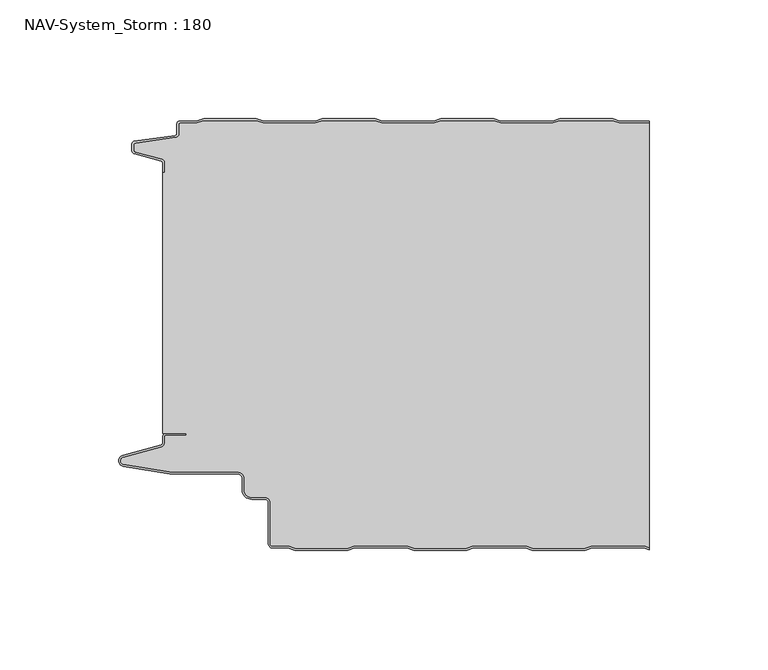
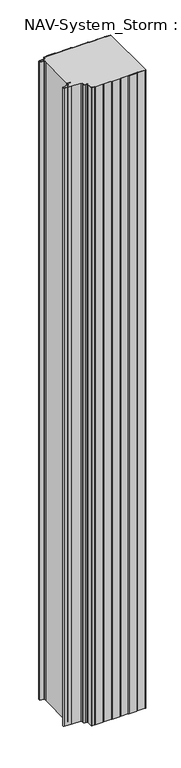
"""IFC4 building model written with IfcOpenShell, lengths in millimetres: plate geometry, NAV-System_Storm : 180."""

from ifc_helpers import new_model, si_unit, point, frame, frame_2d, origin, origin_with_axes, place, context, project, spatial, polyline, circle_curve, trimmed, segment, composite_curve, outline, extrude, source, transform, mapped, element, save
from ifc_brep_helpers import plane_surface, cylinder_surface, revolved_surface, advanced_brep


def nav_system_storm_180_e2d00d4d(model_context):
    return source(origin(), model_context, "Body", "SolidModel", [
        extrude(outline(composite_curve([segment(polyline([(86.8684174, -0.8), (83.8684174, 0.2), (61.8684174, 0.2), (58.8684174, -0.8), (36.8684174, -0.8), (33.8684174, 0.2), (11.8684174, 0.2), (8.8684174, -0.8), (-13.1315826, -0.8), (-16.1315826, 0.2), (-38.1315826, 0.2), (-41.1315826, -0.8), (-63.1315826, -0.8), (-66.1315826, 0.2), (-88.1315826, 0.2), (-91.1315826, -0.8), (-98.2000153, -0.8)]), True, "CONTINUOUS"), segment(trimmed(circle_curve(frame_2d((-98.2000153, -1.3)), 0.5), [point((-98.2000153, -0.8))], [point((-98.7000153, -1.3))], True, "CARTESIAN"), True, "CONTINUOUS"), segment(polyline([(-98.7000153, -1.3), (-98.7000153, -5.3964683)]), True, "CONTINUOUS"), segment(trimmed(circle_curve(frame_2d((-100.2000153, -5.3964683)), 1.5), [point((-98.7000153, -5.3964683))], [point((-99.991136, -6.8818536))], False, "CARTESIAN"), True, "CONTINUOUS"), segment(polyline([(-99.991136, -6.8818536), (-116.9352336, -9.2645825)]), True, "CONTINUOUS"), segment(trimmed(circle_curve(frame_2d((-116.8115062, -10.1444347)), 0.8885091), [point((-116.9352336, -9.2645825))], [point((-117.7000153, -10.1444347))], True, "CARTESIAN"), True, "CONTINUOUS"), segment(polyline([(-117.7000153, -10.1444347), (-117.7000153, -12.46995)]), True, "CONTINUOUS"), segment(trimmed(circle_curve(frame_2d((-117.1000153, -12.46995)), 0.6), [point((-117.7000153, -12.46995))], [point((-117.2553067, -13.0495055))], True, "CARTESIAN"), True, "CONTINUOUS"), segment(polyline([(-117.2553067, -13.0495055), (-105.8785784, -16.0978907)]), True, "CONTINUOUS"), segment(trimmed(circle_curve(frame_2d((-106.266807, -17.5467794)), 1.5), [point((-105.8785784, -16.0978907))], [point((-104.766807, -17.5467794))], False, "CARTESIAN"), True, "CONTINUOUS"), segment(polyline([(-104.766807, -17.5467794), (-104.766807, -21.623446), (-105.566807, -21.623446), (-105.566807, -17.5467794)]), True, "CONTINUOUS"), segment(trimmed(circle_curve(frame_2d((-106.266807, -17.5467794)), 0.7), [point((-105.566807, -17.5467794))], [point((-106.0856337, -16.8706313))], True, "CARTESIAN"), True, "CONTINUOUS"), segment(polyline([(-106.0856337, -16.8706313), (-117.53648, -13.8023863)]), True, "CONTINUOUS"), segment(trimmed(circle_curve(frame_2d((-117.2000153, -12.5466827)), 1.3), [point((-117.53648, -13.8023863))], [point((-118.5000153, -12.5466827))], False, "CARTESIAN"), True, "CONTINUOUS"), segment(polyline([(-118.5000153, -12.5466827), (-118.5000153, -9.8067363)]), True, "CONTINUOUS"), segment(trimmed(circle_curve(frame_2d((-117.2000153, -9.8067363)), 1.3), [point((-118.5000153, -9.8067363))], [point((-117.3810439, -8.5194024))], False, "CARTESIAN"), True, "CONTINUOUS"), segment(polyline([(-117.3810439, -8.5194024), (-100.1025383, -6.0896481)]), True, "CONTINUOUS"), segment(trimmed(circle_curve(frame_2d((-100.2000153, -5.3964683)), 0.7), [point((-100.1025383, -6.0896481))], [point((-99.5000153, -5.3964683))], True, "CARTESIAN"), True, "CONTINUOUS"), segment(polyline([(-99.5000153, -5.3964683), (-99.5000153, -1.3)]), True, "CONTINUOUS"), segment(trimmed(circle_curve(frame_2d((-98.2000153, -1.3)), 1.3), [point((-99.5000153, -1.3))], [point((-98.2000153, 0.0))], False, "CARTESIAN"), True, "CONTINUOUS"), segment(polyline([(-98.2000153, 0.0), (-91.2614047, 0.0), (-88.2614047, 1.0), (-66.0017605, 1.0), (-63.0017605, 0.0), (-41.2614047, 0.0), (-38.2614047, 1.0), (-16.0017605, 1.0), (-13.0017605, 0.0), (8.7385953, 0.0), (11.7385953, 1.0), (33.9982395, 1.0), (36.9982395, 0.0), (58.7385953, 0.0), (61.7385953, 1.0), (83.9982395, 1.0), (86.9982395, 0.0), (99.5, 0.0), (99.5, -0.8), (86.8684174, -0.8)]), True, "CONTINUOUS")], self_intersect=False)), origin_with_axes(), (0.0, 0.0, 1.0), 2000.0),
        advanced_brep(
        [(86.8684327, -0.8, 2000.0), (83.8684327, 0.2, 2000.0), (61.8684327, 0.2, 2000.0), (58.8684327, -0.8, 2000.0), (36.8684327, -0.8, 2000.0), (33.8684327, 0.2, 2000.0), (11.8684327, 0.2, 2000.0), (8.8684327, -0.8, 2000.0), (-13.1315673, -0.8, 2000.0), (-16.1315673, 0.2, 2000.0), (-38.1315673, 0.2, 2000.0), (-41.1315673, -0.8, 2000.0), (-63.1315673, -0.8, 2000.0), (-66.1315673, 0.2, 2000.0), (-88.1315673, 0.2, 2000.0), (-91.1315673, -0.8, 2000.0), (-98.2, -0.8, 2000.0), (-98.7, -1.3, 2000.0), (-98.7, -5.3964683, 2000.0), (-99.9911207, -6.8818536, 2000.0), (-116.9352183, -9.2645825, 2000.0), (-117.7, -10.1444347, 2000.0), (-117.7, -12.46995, 2000.0), (-117.2552914, -13.0495055, 2000.0), (-105.8785632, -16.0978907, 2000.0), (-104.7667917, -17.5467794, 2000.0), (-104.7667917, -21.623446, 2000.0), (-105.5667917, -21.623446, 2000.0), (-105.5667917, -131.7763253, 2000.0), (-95.5330891, -131.7763253, 2000.0), (-95.5330891, -132.5763253, 2000.0), (-104.0330891, -132.5763253, 2000.0), (-104.7330891, -133.2763253, 2000.0), (-104.7330891, -135.8624192, 2000.0), (-105.9560377, -137.4561968, 2000.0), (-122.0574978, -141.8079393, 2000.0), (-121.9021816, -144.8341065, 2000.0), (-102.4332334, -148.0040626, 2000.0), (-73.9661198, -148.0040626, 2000.0), (-71.1661198, -150.806803, 2000.0), (-71.1661198, -155.5, 2000.0), (-67.9661198, -158.7, 2000.0), (-62.4661198, -158.7, 2000.0), (-60.1661198, -161.0, 2000.0), (-60.1661198, -178.2484002, 2000.0), (-59.2161211, -179.2, 2000.0), (-52.5977024, -179.2, 2000.0), (-49.5977024, -180.2, 2000.0), (-27.5977024, -180.2, 2000.0), (-24.5977024, -179.2, 2000.0), (-2.5977024, -179.2, 2000.0), (0.4022976, -180.2, 2000.0), (22.4022976, -180.2, 2000.0), (25.4022976, -179.2, 2000.0), (47.4022976, -179.2, 2000.0), (50.4022976, -180.2, 2000.0), (72.4022976, -180.2, 2000.0), (75.4022976, -179.2, 2000.0), (97.4022976, -179.2, 2000.0), (99.5, -179.8992341, 2000.0), (99.5, -0.8, 2000.0), (97.4022976, -179.2, 0.0), (75.4022976, -179.2, 0.0), (72.4022976, -180.2, 0.0), (50.4022976, -180.2, 0.0), (47.4022976, -179.2, 0.0), (25.4022976, -179.2, 0.0), (22.4022976, -180.2, 0.0), (0.4022976, -180.2, 0.0), (-2.5977024, -179.2, 0.0), (-24.5977024, -179.2, 0.0), (-27.5977024, -180.2, 0.0), (-49.5977024, -180.2, 0.0), (-52.5977024, -179.2, 0.0), (-59.2161211, -179.2, 0.0), (-60.1661198, -178.2484002, 0.0), (-60.1661198, -161.0, 0.0), (-62.4661198, -158.7, 0.0), (-67.9661198, -158.7, 0.0), (-71.1661198, -155.5, 0.0), (-71.1661198, -150.806803, 0.0), (-73.9661198, -148.006803, 0.0), (-102.4332334, -148.0040626, 0.0), (-121.9021816, -144.8341065, 0.0), (-122.0574978, -141.8079393, 0.0), (-105.9560377, -137.4561968, 0.0), (-104.7330891, -135.8624192, 0.0), (-104.7330891, -133.2763253, 0.0), (-104.0330891, -132.5763253, 0.0), (-95.5330891, -132.5763253, 0.0), (-95.5330891, -131.7763253, 0.0), (-105.5667917, -131.7763253, 0.0), (-105.5667917, -21.623446, 0.0), (-104.7667917, -21.623446, 0.0), (-104.7667917, -17.5467794, 0.0), (-105.8785632, -16.0978907, 0.0), (-117.2552914, -13.0495055, 0.0), (-117.7, -12.46995, 0.0), (-117.7, -10.1444347, 0.0), (-116.9352183, -9.2645825, 0.0), (-99.9911207, -6.8818536, 0.0), (-98.7, -5.3964683, 0.0), (-98.7, -1.3, 0.0), (-98.2, -0.8, 0.0), (-91.1315673, -0.8, 0.0), (-88.1315673, 0.2, 0.0), (-66.1315673, 0.2, 0.0), (-63.1315673, -0.8, 0.0), (-41.1315673, -0.8, 0.0), (-38.1315673, 0.2, 0.0), (-16.1315673, 0.2, 0.0), (-13.1315673, -0.8, 0.0), (8.8684327, -0.8, 0.0), (11.8684327, 0.2, 0.0), (33.8684327, 0.2, 0.0), (36.8684327, -0.8, 0.0), (58.8684327, -0.8, 0.0), (61.8684327, 0.2, 0.0), (83.8684327, 0.2, 0.0), (86.8684327, -0.8, 0.0), (99.5, -0.8, 0.0), (99.5, -179.8992341, 0.0)],
        [
            (0, 1),
            (1, 2),
            (2, 3),
            (3, 4),
            (4, 5),
            (5, 6),
            (6, 7),
            (7, 8),
            (8, 9),
            (9, 10),
            (10, 11),
            (11, 12),
            (12, 13),
            (13, 14),
            (14, 15),
            (15, 16),
            (16, 17, circle_curve(frame((-98.2, -1.3, 2000.0), z_axis=(0.0, 0.0, 1.0), x_axis=(1.0, 0.0, 0.0)), 0.5)),
            (17, 18),
            (18, 19, circle_curve(frame((-100.2, -5.3964683, 2000.0), z_axis=(0.0, 0.0, -1.0), x_axis=(1.0, 0.0, 0.0)), 1.5)),
            (19, 20),
            (20, 21, circle_curve(frame((-116.8114909, -10.1444347, 2000.0), z_axis=(0.0, 0.0, 1.0), x_axis=(1.0, 0.0, 0.0)), 0.8885091)),
            (21, 22),
            (22, 23, circle_curve(frame((-117.1, -12.46995, 2000.0), z_axis=(0.0, 0.0, 1.0), x_axis=(1.0, 0.0, 0.0)), 0.6)),
            (23, 24),
            (24, 25, circle_curve(frame((-106.2667917, -17.5467794, 2000.0), z_axis=(0.0, 0.0, -1.0), x_axis=(1.0, 0.0, 0.0)), 1.5)),
            (25, 26),
            (26, 27),
            (27, 28),
            (28, 29),
            (29, 30),
            (30, 31),
            (31, 32, circle_curve(frame((-104.0330891, -133.2763253, 2000.0), z_axis=(0.0, 0.0, 1.0), x_axis=(1.0, 0.0, 0.0)), 0.7)),
            (32, 33),
            (33, 34, circle_curve(frame((-106.3830891, -135.8624192, 2000.0), z_axis=(0.0, 0.0, -1.0), x_axis=(1.0, 0.0, 0.0)), 1.65)),
            (34, 35),
            (35, 36, circle_curve(frame((-121.6530891, -143.3042526, 2000.0), z_axis=(0.0, 0.0, 1.0), x_axis=(1.0, 0.0, 0.0)), 1.55)),
            (36, 37),
            (37, 38),
            (38, 39, circle_curve(frame((-73.9661198, -150.806803, 2000.0), z_axis=(0.0, 0.0, -1.0), x_axis=(1.0, 0.0, 0.0)), 2.8)),
            (39, 40),
            (40, 41, circle_curve(frame((-67.9661198, -155.5, 2000.0), z_axis=(0.0, 0.0, 1.0), x_axis=(1.0, 0.0, 0.0)), 3.2)),
            (41, 42),
            (42, 43, circle_curve(frame((-62.4661198, -161.0, 2000.0), z_axis=(0.0, 0.0, -1.0), x_axis=(1.0, 0.0, 0.0)), 2.3)),
            (43, 44),
            (44, 45, circle_curve(frame((-59.2161211, -178.25, 2000.0), z_axis=(0.0, 0.0, 1.0), x_axis=(1.0, 0.0, 0.0)), 0.95)),
            (45, 46),
            (46, 47),
            (47, 48),
            (48, 49),
            (49, 50),
            (50, 51),
            (51, 52),
            (52, 53),
            (53, 54),
            (54, 55),
            (55, 56),
            (56, 57),
            (57, 58),
            (58, 59),
            (59, 60),
            (60, 0),
            (61, 62),
            (62, 63),
            (63, 64),
            (64, 65),
            (65, 66),
            (66, 67),
            (67, 68),
            (68, 69),
            (69, 70),
            (70, 71),
            (71, 72),
            (72, 73),
            (73, 74),
            (74, 75, circle_curve(frame((-59.2161211, -178.25, 0.0), z_axis=(0.0, 0.0, -1.0), x_axis=(1.0, 0.0, 0.0)), 0.95)),
            (75, 76),
            (76, 77, circle_curve(frame((-62.4661198, -161.0, 0.0), z_axis=(0.0, 0.0, 1.0), x_axis=(1.0, 0.0, 0.0)), 2.3)),
            (77, 78),
            (78, 79, circle_curve(frame((-67.9661198, -155.5, 0.0), z_axis=(0.0, 0.0, -1.0), x_axis=(1.0, 0.0, 0.0)), 3.2)),
            (79, 80),
            (80, 81, circle_curve(frame((-73.9661198, -150.806803, 0.0), z_axis=(0.0, 0.0, 1.0), x_axis=(1.0, 0.0, 0.0)), 2.8)),
            (81, 82),
            (82, 83),
            (83, 84, circle_curve(frame((-121.6530891, -143.3042526, 0.0), z_axis=(0.0, 0.0, -1.0), x_axis=(1.0, 0.0, 0.0)), 1.55)),
            (84, 85),
            (85, 86, circle_curve(frame((-106.3830891, -135.8624192, 0.0), z_axis=(0.0, 0.0, 1.0), x_axis=(1.0, 0.0, 0.0)), 1.65)),
            (86, 87),
            (87, 88, circle_curve(frame((-104.0330891, -133.2763253, 0.0), z_axis=(0.0, 0.0, -1.0), x_axis=(1.0, 0.0, 0.0)), 0.7)),
            (88, 89),
            (89, 90),
            (90, 91),
            (91, 92),
            (92, 93),
            (93, 94),
            (94, 95, circle_curve(frame((-106.2667917, -17.5467794, 0.0), z_axis=(0.0, 0.0, 1.0), x_axis=(1.0, 0.0, 0.0)), 1.5)),
            (95, 96),
            (96, 97, circle_curve(frame((-117.1, -12.46995, 0.0), z_axis=(0.0, 0.0, -1.0), x_axis=(1.0, 0.0, 0.0)), 0.6)),
            (97, 98),
            (98, 99, circle_curve(frame((-116.8114909, -10.1444347, 0.0), z_axis=(0.0, 0.0, -1.0), x_axis=(1.0, 0.0, 0.0)), 0.8885091)),
            (99, 100),
            (100, 101, circle_curve(frame((-100.2, -5.3964683, 0.0), z_axis=(0.0, 0.0, 1.0), x_axis=(1.0, 0.0, 0.0)), 1.5)),
            (101, 102),
            (102, 103, circle_curve(frame((-98.2, -1.3, 0.0), z_axis=(0.0, 0.0, -1.0), x_axis=(1.0, 0.0, 0.0)), 0.5)),
            (103, 104),
            (104, 105),
            (105, 106),
            (106, 107),
            (107, 108),
            (108, 109),
            (109, 110),
            (110, 111),
            (111, 112),
            (112, 113),
            (113, 114),
            (114, 115),
            (115, 116),
            (116, 117),
            (117, 118),
            (118, 119),
            (119, 120),
            (120, 121),
            (121, 61),
            (119, 0),
            (60, 120),
            (118, 1),
            (117, 2),
            (116, 3),
            (115, 4),
            (114, 5),
            (113, 6),
            (112, 7),
            (111, 8),
            (110, 9),
            (109, 10),
            (108, 11),
            (107, 12),
            (106, 13),
            (105, 14),
            (104, 15),
            (103, 16),
            (102, 17),
            (101, 18),
            (100, 19),
            (99, 20),
            (98, 21),
            (97, 22),
            (96, 23),
            (95, 24),
            (94, 25),
            (93, 26),
            (92, 27),
            (91, 28),
            (90, 29),
            (89, 30),
            (88, 31),
            (87, 32),
            (86, 33),
            (85, 34),
            (84, 35),
            (83, 36),
            (82, 37),
            (81, 38),
            (80, 39),
            (79, 40),
            (78, 41),
            (77, 42),
            (76, 43),
            (75, 44),
            (74, 45),
            (73, 46),
            (72, 47),
            (71, 48),
            (70, 49),
            (69, 50),
            (68, 51),
            (67, 52),
            (66, 53),
            (65, 54),
            (64, 55),
            (63, 56),
            (62, 57),
            (61, 58),
            (121, 59),
        ],
        [
            plane_surface(frame((-99.5, 0.0, 2000.0), z_axis=(0.0, 0.0, 1.0), x_axis=(0.0, -1.0, 0.0))),
            plane_surface(frame((-99.5, 0.0, 0.0), z_axis=(0.0, 0.0, -1.0), x_axis=(0.0, -1.0, 0.0))),
            plane_surface(frame((108.8684327, -0.8, 2000.0), z_axis=(0.0, 1.0, 0.0), x_axis=(0.0, 0.0, -1.0))),
            plane_surface(frame((86.8684327, -0.8, 2000.0), z_axis=(0.3162277660167034, 0.9486832980505586, 0.0), x_axis=(0.0, 0.0, -1.0))),
            plane_surface(frame((83.8684327, 0.2, 2000.0), z_axis=(0.0, 1.0, 0.0), x_axis=(0.0, 0.0, -1.0))),
            plane_surface(frame((61.8684327, 0.2, 2000.0), z_axis=(-0.3162277660167478, 0.948683298050544, 0.0), x_axis=(0.0, 0.0, -1.0))),
            plane_surface(frame((58.8684327, -0.8, 2000.0), z_axis=(0.0, 1.0, 0.0), x_axis=(0.0, 0.0, -1.0))),
            plane_surface(frame((36.8684327, -0.8, 2000.0), z_axis=(0.3162277660167612, 0.9486832980505394, 0.0), x_axis=(0.0, 0.0, -1.0))),
            plane_surface(frame((33.8684327, 0.2, 2000.0), z_axis=(0.0, 1.0, 0.0), x_axis=(0.0, 0.0, -1.0))),
            plane_surface(frame((11.8684327, 0.2, 2000.0), z_axis=(-0.3162277660168056, 0.9486832980505246, 0.0), x_axis=(0.0, 0.0, -1.0))),
            plane_surface(frame((8.8684327, -0.8, 2000.0), z_axis=(0.0, 1.0, 0.0), x_axis=(0.0, 0.0, -1.0))),
            plane_surface(frame((-13.1315673, -0.8, 2000.0), z_axis=(0.3162277660167548, 0.9486832980505415, 0.0), x_axis=(0.0, 0.0, -1.0))),
            plane_surface(frame((-16.1315673, 0.2, 2000.0), z_axis=(0.0, 1.0, 0.0), x_axis=(0.0, 0.0, -1.0))),
            plane_surface(frame((-38.1315673, 0.2, 2000.0), z_axis=(-0.31622776601682484, 0.9486832980505183, 0.0), x_axis=(0.0, 0.0, -1.0))),
            plane_surface(frame((-41.1315673, -0.8, 2000.0), z_axis=(0.0, 1.0, 0.0), x_axis=(0.0, 0.0, -1.0))),
            plane_surface(frame((-63.1315673, -0.8, 2000.0), z_axis=(0.3162277660167034, 0.9486832980505586, 0.0), x_axis=(0.0, 0.0, -1.0))),
            plane_surface(frame((-66.1315673, 0.2, 2000.0), z_axis=(0.0, 1.0, 0.0), x_axis=(0.0, 0.0, -1.0))),
            plane_surface(frame((-88.1315673, 0.2, 2000.0), z_axis=(-0.31622776601670927, 0.9486832980505567, 0.0), x_axis=(0.0, 0.0, -1.0))),
            plane_surface(frame((-91.1315673, -0.8, 2000.0), z_axis=(0.0, 1.0, 0.0), x_axis=(0.0, 0.0, -1.0))),
            cylinder_surface(frame((-98.2, -1.3, 2000.0), z_axis=(0.0, 0.0, 1.0), x_axis=(1.0, 0.0, 0.0)), 0.5),
            plane_surface(frame((-98.7, -1.3, 2000.0), z_axis=(-1.0, 0.0, 0.0), x_axis=(0.0, 0.0, -1.0))),
            revolved_surface(polyline([(-98.7, -5.3964683, 0.0), (-98.7, -5.3964683, 2000.0)]), (-100.2, -5.3964683, 2000.0), (0.0, 0.0, -1.0)),
            plane_surface(frame((-99.9911207, -6.8818536, 2000.0), z_axis=(-0.13925283650469739, 0.9902568593680107, 0.0), x_axis=(0.0, 0.0, -1.0))),
            cylinder_surface(frame((-116.8114909, -10.1444347, 2000.0), z_axis=(0.0, 0.0, 1.0), x_axis=(1.0, 0.0, 0.0)), 0.8885091),
            plane_surface(frame((-117.7, -10.1444347, 2000.0), z_axis=(-1.0, 0.0, 0.0), x_axis=(0.0, 0.0, -1.0))),
            cylinder_surface(frame((-117.1, -12.46995, 2000.0), z_axis=(0.0, 0.0, 1.0), x_axis=(1.0, 0.0, 0.0)), 0.6),
            plane_surface(frame((-117.2552914, -13.0495055, 2000.0), z_axis=(-0.2588190451027143, -0.9659258262890165, 0.0), x_axis=(0.0, 0.0, -1.0))),
            revolved_surface(polyline([(-104.7667917, -17.5467794, 0.0), (-104.7667917, -17.5467794, 2000.0)]), (-106.2667917, -17.5467794, 2000.0), (0.0, 0.0, -1.0)),
            plane_surface(frame((-104.7667917, -17.5467794, 2000.0), z_axis=(-1.0, 0.0, 0.0), x_axis=(0.0, 0.0, -1.0))),
            plane_surface(frame((-104.7667917, -21.623446, 2000.0), z_axis=(0.0, 1.0, 0.0), x_axis=(0.0, 0.0, -1.0))),
            plane_surface(frame((-105.5667917, -21.623446, 2000.0), z_axis=(-1.0, 0.0, 0.0), x_axis=(0.0, 0.0, -1.0))),
            plane_surface(frame((-105.5667917, -131.7763253, 2000.0), z_axis=(0.0, -1.0, 0.0), x_axis=(0.0, 0.0, -1.0))),
            plane_surface(frame((-95.5330891, -131.7763253, 2000.0), z_axis=(-1.0, 0.0, 0.0), x_axis=(0.0, 0.0, -1.0))),
            plane_surface(frame((-95.5330891, -132.5763253, 2000.0), z_axis=(0.0, 1.0, 0.0), x_axis=(0.0, 0.0, -1.0))),
            cylinder_surface(frame((-104.0330891, -133.2763253, 2000.0), z_axis=(0.0, 0.0, 1.0), x_axis=(1.0, 0.0, 0.0)), 0.7),
            plane_surface(frame((-104.7330891, -133.2763253, 2000.0), z_axis=(-1.0, 0.0, 0.0), x_axis=(0.0, 0.0, -1.0))),
            revolved_surface(polyline([(-104.7330891, -135.8624192, 0.0), (-104.7330891, -135.8624192, 2000.0)]), (-106.3830891, -135.8624192, 2000.0), (0.0, 0.0, -1.0)),
            plane_surface(frame((-105.9560377, -137.4561968, 2000.0), z_axis=(-0.26090882701688406, 0.9653634465757825, 0.0), x_axis=(0.0, 0.0, -1.0))),
            cylinder_surface(frame((-121.6530891, -143.3042526, 2000.0), z_axis=(0.0, 0.0, 1.0), x_axis=(1.0, 0.0, 0.0)), 1.55),
            plane_surface(frame((-121.9021816, -144.8341065, 2000.0), z_axis=(-0.16070486280350044, -0.9870025061119694, 0.0), x_axis=(0.0, 0.0, -1.0))),
            plane_surface(frame((-102.4332334, -148.0040626, 2000.0), z_axis=(0.0, -1.0, 0.0), x_axis=(0.0, 0.0, -1.0))),
            revolved_surface(polyline([(-71.1661198, -150.806803, 0.0), (-71.1661198, -150.806803, 2000.0)]), (-73.9661198, -150.806803, 2000.0), (0.0, 0.0, -1.0)),
            plane_surface(frame((-71.1661198, -150.806803, 2000.0), z_axis=(-1.0, 0.0, 0.0), x_axis=(0.0, 0.0, -1.0))),
            cylinder_surface(frame((-67.9661198, -155.5, 2000.0), z_axis=(0.0, 0.0, 1.0), x_axis=(1.0, 0.0, 0.0)), 3.2),
            plane_surface(frame((-67.9661198, -158.7, 2000.0), z_axis=(0.0, -1.0, 0.0), x_axis=(0.0, 0.0, -1.0))),
            revolved_surface(polyline([(-60.166119800000004, -161.0, 0.0), (-60.166119800000004, -161.0, 2000.0)]), (-62.4661198, -161.0, 2000.0), (0.0, 0.0, -1.0)),
            plane_surface(frame((-60.1661198, -161.0, 2000.0), z_axis=(-1.0, 0.0, 0.0), x_axis=(0.0, 0.0, -1.0))),
            cylinder_surface(frame((-59.2161211, -178.25, 2000.0), z_axis=(0.0, 0.0, 1.0), x_axis=(1.0, 0.0, 0.0)), 0.95),
            plane_surface(frame((-59.2161211, -179.2, 2000.0), z_axis=(0.0, -1.0, 0.0), x_axis=(0.0, 0.0, -1.0))),
            plane_surface(frame((-52.5977024, -179.2, 2000.0), z_axis=(-0.3162277660167127, -0.9486832980505555, 0.0), x_axis=(0.0, 0.0, -1.0))),
            plane_surface(frame((-49.5977024, -180.2, 2000.0), z_axis=(0.0, -1.0, 0.0), x_axis=(0.0, 0.0, -1.0))),
            plane_surface(frame((-27.5977024, -180.2, 2000.0), z_axis=(0.3162277660167063, -0.9486832980505577, 0.0), x_axis=(0.0, 0.0, -1.0))),
            plane_surface(frame((-24.5977024, -179.2, 2000.0), z_axis=(0.0, -1.0, 0.0), x_axis=(0.0, 0.0, -1.0))),
            plane_surface(frame((-2.5977024, -179.2, 2000.0), z_axis=(-0.316227766016809, -0.9486832980505234, 0.0), x_axis=(0.0, 0.0, -1.0))),
            plane_surface(frame((0.4022976, -180.2, 2000.0), z_axis=(0.0, -1.0, 0.0), x_axis=(0.0, 0.0, -1.0))),
            plane_surface(frame((22.4022976, -180.2, 2000.0), z_axis=(0.31622776601676095, -0.9486832980505395, 0.0), x_axis=(0.0, 0.0, -1.0))),
            plane_surface(frame((25.4022976, -179.2, 2000.0), z_axis=(0.0, -1.0, 0.0), x_axis=(0.0, 0.0, -1.0))),
            plane_surface(frame((47.4022976, -179.2, 2000.0), z_axis=(-0.31622776601680586, -0.9486832980505245, 0.0), x_axis=(0.0, 0.0, -1.0))),
            plane_surface(frame((50.4022976, -180.2, 2000.0), z_axis=(0.0, -1.0, 0.0), x_axis=(0.0, 0.0, -1.0))),
            plane_surface(frame((72.4022976, -180.2, 2000.0), z_axis=(0.31622776601676095, -0.9486832980505395, 0.0), x_axis=(0.0, 0.0, -1.0))),
            plane_surface(frame((75.4022976, -179.2, 2000.0), z_axis=(0.0, -1.0, 0.0), x_axis=(0.0, 0.0, -1.0))),
            plane_surface(frame((97.4022976, -179.2, 2000.0), z_axis=(-0.31622776601674485, -0.9486832980505449, 0.0), x_axis=(0.0, 0.0, -1.0))),
            plane_surface(frame((99.5, 100.0, 2000.0), z_axis=(1.0, 0.0, 0.0), x_axis=(0.0, 0.0, -1.0))),
        ],
        [
            (0, [[1, 2, 3, 4, 5, 6, 7, 8, 9, 10, 11, 12, 13, 14, 15, 16, 17, 18, 19, 20, 21, 22, 23, 24, 25, 26, 27, 28, 29, 30, 31, 32, 33, 34, 35, 36, 37, 38, 39, 40, 41, 42, 43, 44, 45, 46, 47, 48, 49, 50, 51, 52, 53, 54, 55, 56, 57, 58, 59, 60, 61]]),
            (1, [[62, 63, 64, 65, 66, 67, 68, 69, 70, 71, 72, 73, 74, 75, 76, 77, 78, 79, 80, 81, 82, 83, 84, 85, 86, 87, 88, 89, 90, 91, 92, 93, 94, 95, 96, 97, 98, 99, 100, 101, 102, 103, 104, 105, 106, 107, 108, 109, 110, 111, 112, 113, 114, 115, 116, 117, 118, 119, 120, 121, 122]]),
            (2, [[123, -61, 124, -120]]),
            (3, [[-1, -123, -119, 125]]),
            (4, [[-2, -125, -118, 126]]),
            (5, [[-3, -126, -117, 127]]),
            (6, [[-4, -127, -116, 128]]),
            (7, [[-5, -128, -115, 129]]),
            (8, [[-6, -129, -114, 130]]),
            (9, [[-7, -130, -113, 131]]),
            (10, [[-8, -131, -112, 132]]),
            (11, [[-9, -132, -111, 133]]),
            (12, [[-10, -133, -110, 134]]),
            (13, [[-11, -134, -109, 135]]),
            (14, [[-12, -135, -108, 136]]),
            (15, [[-13, -136, -107, 137]]),
            (16, [[-14, -137, -106, 138]]),
            (17, [[-15, -138, -105, 139]]),
            (18, [[-16, -139, -104, 140]]),
            (19, [[-17, -140, -103, 141]]),
            (20, [[-18, -141, -102, 142]]),
            (21, [[-19, -142, -101, 143]]),
            (22, [[-20, -143, -100, 144]]),
            (23, [[-21, -144, -99, 145]]),
            (24, [[-22, -145, -98, 146]]),
            (25, [[-23, -146, -97, 147]]),
            (26, [[-24, -147, -96, 148]]),
            (27, [[-25, -148, -95, 149]]),
            (28, [[-26, -149, -94, 150]]),
            (29, [[-27, -150, -93, 151]]),
            (30, [[-28, -151, -92, 152]]),
            (31, [[-29, -152, -91, 153]]),
            (32, [[-30, -153, -90, 154]]),
            (33, [[-31, -154, -89, 155]]),
            (34, [[-32, -155, -88, 156]]),
            (35, [[-33, -156, -87, 157]]),
            (36, [[-34, -157, -86, 158]]),
            (37, [[-35, -158, -85, 159]]),
            (38, [[-36, -159, -84, 160]]),
            (39, [[-37, -160, -83, 161]]),
            (40, [[-38, -161, -82, 162]]),
            (41, [[-39, -162, -81, 163]]),
            (42, [[-40, -163, -80, 164]]),
            (43, [[-41, -164, -79, 165]]),
            (44, [[-42, -165, -78, 166]]),
            (45, [[-43, -166, -77, 167]]),
            (46, [[-44, -167, -76, 168]]),
            (47, [[-45, -168, -75, 169]]),
            (48, [[-46, -169, -74, 170]]),
            (49, [[-47, -170, -73, 171]]),
            (50, [[-48, -171, -72, 172]]),
            (51, [[-49, -172, -71, 173]]),
            (52, [[-50, -173, -70, 174]]),
            (53, [[-51, -174, -69, 175]]),
            (54, [[-52, -175, -68, 176]]),
            (55, [[-53, -176, -67, 177]]),
            (56, [[-54, -177, -66, 178]]),
            (57, [[-55, -178, -65, 179]]),
            (58, [[-56, -179, -64, 180]]),
            (59, [[-57, -180, -63, 181]]),
            (60, [[-58, -181, -62, 182]]),
            (61, [[-182, -122, 183, -59]]),
            (62, [[-60, -183, -121, -124]]),
        ],
    ),
        advanced_brep(
        [(97.3684174, -179.2, 2000.0), (75.3684174, -179.2, 2000.0), (72.3684174, -180.2, 2000.0), (50.3684174, -180.2, 2000.0), (47.3684174, -179.2, 2000.0), (25.3684174, -179.2, 2000.0), (22.3684174, -180.2, 2000.0), (0.3684174, -180.2, 2000.0), (-2.6315826, -179.2, 2000.0), (-24.6315826, -179.2, 2000.0), (-27.6315826, -180.2, 2000.0), (-49.6315826, -180.2, 2000.0), (-52.6315826, -179.2, 2000.0), (-59.2500013, -179.2, 2000.0), (-60.2, -178.2484002, 2000.0), (-60.2, -161.0, 2000.0), (-62.5, -158.7, 2000.0), (-68.0, -158.7, 2000.0), (-71.2, -155.5, 2000.0), (-71.2, -150.806803, 2000.0), (-74.0, -148.006803, 2000.0), (-102.4671136, -148.0040626, 2000.0), (-121.9360619, -144.8341065, 2000.0), (-122.091378, -141.8079393, 2000.0), (-105.9899179, -137.4561968, 2000.0), (-104.7669693, -135.8624192, 2000.0), (-104.7669693, -133.2763253, 2000.0), (-104.0669693, -132.5763253, 2000.0), (-95.5669693, -132.5763253, 2000.0), (-95.5669693, -131.7763253, 2000.0), (-104.0669693, -131.7763253, 2000.0), (-105.5669693, -133.2763253, 2000.0), (-105.5669693, -135.9006976, 2000.0), (-106.1582424, -136.6729884, 2000.0), (-122.3001048, -141.0356484, 2000.0), (-122.0646249, -145.6237086, 2000.0), (-102.4341193, -148.806803, 2000.0), (-74.0, -148.806803, 2000.0), (-72.0, -150.806803, 2000.0), (-72.0, -155.5, 2000.0), (-68.0, -159.5, 2000.0), (-62.5, -159.5, 2000.0), (-61.0, -161.0, 2000.0), (-61.0, -178.2478286, 2000.0), (-59.2500013, -180.0, 2000.0), (-52.7614047, -180.0, 2000.0), (-49.7614047, -181.0, 2000.0), (-27.5017605, -181.0, 2000.0), (-24.5017605, -180.0, 2000.0), (-2.7614047, -180.0, 2000.0), (0.2385953, -181.0, 2000.0), (22.4982395, -181.0, 2000.0), (25.4982395, -180.0, 2000.0), (47.2385953, -180.0, 2000.0), (50.2385953, -181.0, 2000.0), (72.4982395, -181.0, 2000.0), (75.4982395, -180.0, 2000.0), (97.2385953, -180.0, 2000.0), (99.5, -180.7538016, 2000.0), (99.5, -179.9105275, 2000.0), (97.2385953, -180.0, 0.0), (75.4982395, -180.0, 0.0), (72.4982395, -181.0, 0.0), (50.2385953, -181.0, 0.0), (47.2385953, -180.0, 0.0), (25.4982395, -180.0, 0.0), (22.4982395, -181.0, 0.0), (0.2385953, -181.0, 0.0), (-2.7614047, -180.0, 0.0), (-24.5017605, -180.0, 0.0), (-27.5017605, -181.0, 0.0), (-49.7614047, -181.0, 0.0), (-52.7614047, -180.0, 0.0), (-59.2500013, -180.0, 0.0), (-61.0, -178.2478286, 0.0), (-61.0, -161.0, 0.0), (-62.5, -159.5, 0.0), (-68.0, -159.5, 0.0), (-72.0, -155.5, 0.0), (-72.0, -150.806803, 0.0), (-74.0, -148.806803, 0.0), (-102.4341193, -148.806803, 0.0), (-122.0646249, -145.6237086, 0.0), (-122.3001048, -141.0356484, 0.0), (-106.1582424, -136.6729884, 0.0), (-105.5669693, -135.9006976, 0.0), (-105.5669693, -133.2763253, 0.0), (-104.0669693, -131.7763253, 0.0), (-95.5669693, -131.7763253, 0.0), (-95.5669693, -132.5763253, 0.0), (-104.0669693, -132.5763253, 0.0), (-104.7669693, -133.2763253, 0.0), (-104.7669693, -135.8624192, 0.0), (-105.9899179, -137.4561968, 0.0), (-122.091378, -141.8079393, 0.0), (-121.9360619, -144.8341065, 0.0), (-102.4671136, -148.0040626, 0.0), (-74.0, -148.0040626, 0.0), (-71.2, -150.806803, 0.0), (-71.2, -155.5, 0.0), (-68.0, -158.7, 0.0), (-62.5, -158.7, 0.0), (-60.2, -161.0, 0.0), (-60.2, -178.2484002, 0.0), (-59.2500013, -179.2, 0.0), (-52.6315826, -179.2, 0.0), (-49.6315826, -180.2, 0.0), (-27.6315826, -180.2, 0.0), (-24.6315826, -179.2, 0.0), (-2.6315826, -179.2, 0.0), (0.3684174, -180.2, 0.0), (22.3684174, -180.2, 0.0), (25.3684174, -179.2, 0.0), (47.3684174, -179.2, 0.0), (50.3684174, -180.2, 0.0), (72.3684174, -180.2, 0.0), (75.3684174, -179.2, 0.0), (97.3684174, -179.2, 0.0), (99.5, -179.9105275, 0.0), (99.5, -180.7538016, 0.0)],
        [
            (0, 1),
            (1, 2),
            (2, 3),
            (3, 4),
            (4, 5),
            (5, 6),
            (6, 7),
            (7, 8),
            (8, 9),
            (9, 10),
            (10, 11),
            (11, 12),
            (12, 13),
            (13, 14, circle_curve(frame((-59.2500013, -178.25, 2000.0), z_axis=(0.0, 0.0, -1.0), x_axis=(1.0, 0.0, 0.0)), 0.95)),
            (14, 15),
            (15, 16, circle_curve(frame((-62.5, -161.0, 2000.0), z_axis=(0.0, 0.0, 1.0), x_axis=(1.0, 0.0, 0.0)), 2.3)),
            (16, 17),
            (17, 18, circle_curve(frame((-68.0, -155.5, 2000.0), z_axis=(0.0, 0.0, -1.0), x_axis=(1.0, 0.0, 0.0)), 3.2)),
            (18, 19),
            (19, 20, circle_curve(frame((-74.0, -150.806803, 2000.0), z_axis=(0.0, 0.0, 1.0), x_axis=(1.0, 0.0, 0.0)), 2.8)),
            (20, 21),
            (21, 22),
            (22, 23, circle_curve(frame((-121.6869693, -143.3042526, 2000.0), z_axis=(0.0, 0.0, -1.0), x_axis=(1.0, 0.0, 0.0)), 1.55)),
            (23, 24),
            (24, 25, circle_curve(frame((-106.4169693, -135.8624192, 2000.0), z_axis=(0.0, 0.0, 1.0), x_axis=(1.0, 0.0, 0.0)), 1.65)),
            (25, 26),
            (26, 27, circle_curve(frame((-104.0669693, -133.2763253, 2000.0), z_axis=(0.0, 0.0, -1.0), x_axis=(1.0, 0.0, 0.0)), 0.7)),
            (27, 28),
            (28, 29),
            (29, 30),
            (30, 31, circle_curve(frame((-104.0669693, -133.2763253, 2000.0), z_axis=(0.0, 0.0, 1.0), x_axis=(1.0, 0.0, 0.0)), 1.5)),
            (31, 32),
            (32, 33, circle_curve(frame((-106.3669693, -135.9006976, 2000.0), z_axis=(0.0, 0.0, -1.0), x_axis=(1.0, 0.0, 0.0)), 0.8)),
            (33, 34),
            (34, 35, circle_curve(frame((-121.6869693, -143.3042526, 2000.0), z_axis=(0.0, 0.0, 1.0), x_axis=(1.0, 0.0, 0.0)), 2.35)),
            (35, 36),
            (36, 37),
            (37, 38, circle_curve(frame((-74.0, -150.806803, 2000.0), z_axis=(0.0, 0.0, -1.0), x_axis=(1.0, 0.0, 0.0)), 2.0)),
            (38, 39),
            (39, 40, circle_curve(frame((-68.0, -155.5, 2000.0), z_axis=(0.0, 0.0, 1.0), x_axis=(1.0, 0.0, 0.0)), 4.0)),
            (40, 41),
            (41, 42, circle_curve(frame((-62.5, -161.0, 2000.0), z_axis=(0.0, 0.0, -1.0), x_axis=(1.0, 0.0, 0.0)), 1.5)),
            (42, 43),
            (43, 44, circle_curve(frame((-59.2500013, -178.25, 2000.0), z_axis=(0.0, 0.0, 1.0), x_axis=(1.0, 0.0, 0.0)), 1.75)),
            (44, 45),
            (45, 46),
            (46, 47),
            (47, 48),
            (48, 49),
            (49, 50),
            (50, 51),
            (51, 52),
            (52, 53),
            (53, 54),
            (54, 55),
            (55, 56),
            (56, 57),
            (57, 58),
            (58, 59),
            (59, 0),
            (60, 61),
            (61, 62),
            (62, 63),
            (63, 64),
            (64, 65),
            (65, 66),
            (66, 67),
            (67, 68),
            (68, 69),
            (69, 70),
            (70, 71),
            (71, 72),
            (72, 73),
            (73, 74, circle_curve(frame((-59.2500013, -178.25, 0.0), z_axis=(0.0, 0.0, -1.0), x_axis=(1.0, 0.0, 0.0)), 1.75)),
            (74, 75),
            (75, 76, circle_curve(frame((-62.5, -161.0, 0.0), z_axis=(0.0, 0.0, 1.0), x_axis=(1.0, 0.0, 0.0)), 1.5)),
            (76, 77),
            (77, 78, circle_curve(frame((-68.0, -155.5, 0.0), z_axis=(0.0, 0.0, -1.0), x_axis=(1.0, 0.0, 0.0)), 4.0)),
            (78, 79),
            (79, 80, circle_curve(frame((-74.0, -150.806803, 0.0), z_axis=(0.0, 0.0, 1.0), x_axis=(1.0, 0.0, 0.0)), 2.0)),
            (80, 81),
            (81, 82),
            (82, 83, circle_curve(frame((-121.6869693, -143.3042526, 0.0), z_axis=(0.0, 0.0, -1.0), x_axis=(1.0, 0.0, 0.0)), 2.35)),
            (83, 84),
            (84, 85, circle_curve(frame((-106.3669693, -135.9006976, 0.0), z_axis=(0.0, 0.0, 1.0), x_axis=(1.0, 0.0, 0.0)), 0.8)),
            (85, 86),
            (86, 87, circle_curve(frame((-104.0669693, -133.2763253, 0.0), z_axis=(0.0, 0.0, -1.0), x_axis=(1.0, 0.0, 0.0)), 1.5)),
            (87, 88),
            (88, 89),
            (89, 90),
            (90, 91, circle_curve(frame((-104.0669693, -133.2763253, 0.0), z_axis=(0.0, 0.0, 1.0), x_axis=(1.0, 0.0, 0.0)), 0.7)),
            (91, 92),
            (92, 93, circle_curve(frame((-106.4169693, -135.8624192, 0.0), z_axis=(0.0, 0.0, -1.0), x_axis=(1.0, 0.0, 0.0)), 1.65)),
            (93, 94),
            (94, 95, circle_curve(frame((-121.6869693, -143.3042526, 0.0), z_axis=(0.0, 0.0, 1.0), x_axis=(1.0, 0.0, 0.0)), 1.55)),
            (95, 96),
            (96, 97),
            (97, 98, circle_curve(frame((-74.0, -150.806803, 0.0), z_axis=(0.0, 0.0, -1.0), x_axis=(1.0, 0.0, 0.0)), 2.8)),
            (98, 99),
            (99, 100, circle_curve(frame((-68.0, -155.5, 0.0), z_axis=(0.0, 0.0, 1.0), x_axis=(1.0, 0.0, 0.0)), 3.2)),
            (100, 101),
            (101, 102, circle_curve(frame((-62.5, -161.0, 0.0), z_axis=(0.0, 0.0, -1.0), x_axis=(1.0, 0.0, 0.0)), 2.3)),
            (102, 103),
            (103, 104, circle_curve(frame((-59.2500013, -178.25, 0.0), z_axis=(0.0, 0.0, 1.0), x_axis=(1.0, 0.0, 0.0)), 0.95)),
            (104, 105),
            (105, 106),
            (106, 107),
            (107, 108),
            (108, 109),
            (109, 110),
            (110, 111),
            (111, 112),
            (112, 113),
            (113, 114),
            (114, 115),
            (115, 116),
            (116, 117),
            (117, 118),
            (118, 119),
            (119, 60),
            (44, 73),
            (72, 45),
            (71, 46),
            (70, 47),
            (69, 48),
            (68, 49),
            (67, 50),
            (66, 51),
            (65, 52),
            (64, 53),
            (63, 54),
            (62, 55),
            (61, 56),
            (60, 57),
            (119, 58),
            (117, 0),
            (59, 118),
            (116, 1),
            (115, 2),
            (114, 3),
            (113, 4),
            (112, 5),
            (111, 6),
            (110, 7),
            (109, 8),
            (108, 9),
            (107, 10),
            (106, 11),
            (105, 12),
            (104, 13),
            (103, 14),
            (102, 15),
            (101, 16),
            (100, 17),
            (99, 18),
            (98, 19),
            (97, 20),
            (96, 21),
            (95, 22),
            (94, 23),
            (93, 24),
            (92, 25),
            (91, 26),
            (90, 27),
            (89, 28),
            (88, 29),
            (87, 30),
            (86, 31),
            (85, 32),
            (84, 33),
            (83, 34),
            (82, 35),
            (81, 36),
            (80, 37),
            (79, 38),
            (78, 39),
            (77, 40),
            (76, 41),
            (75, 42),
            (74, 43),
        ],
        [
            plane_surface(frame((-99.5, -180.0, 2000.0), z_axis=(0.0, 0.0, 1.0), x_axis=(-1.0, 0.0, 0.0))),
            plane_surface(frame((-99.5, -180.0, 0.0), z_axis=(0.0, 0.0, -1.0), x_axis=(-1.0, 0.0, 0.0))),
            plane_surface(frame((-59.2500013, -180.0, 2000.0), z_axis=(0.0, -1.0, 0.0), x_axis=(0.0, 0.0, -1.0))),
            plane_surface(frame((-52.7614047, -180.0, 2000.0), z_axis=(-0.3162277660167412, -0.9486832980505461, 0.0), x_axis=(0.0, 0.0, -1.0))),
            plane_surface(frame((-49.7614047, -181.0, 2000.0), z_axis=(0.0, -1.0, 0.0), x_axis=(0.0, 0.0, -1.0))),
            plane_surface(frame((-27.5017605, -181.0, 2000.0), z_axis=(0.3162277660167414, -0.9486832980505461, 0.0), x_axis=(0.0, 0.0, -1.0))),
            plane_surface(frame((-24.5017605, -180.0, 2000.0), z_axis=(0.0, -1.0, 0.0), x_axis=(0.0, 0.0, -1.0))),
            plane_surface(frame((-2.7614047, -180.0, 2000.0), z_axis=(-0.3162277660168044, -0.948683298050525, 0.0), x_axis=(0.0, 0.0, -1.0))),
            plane_surface(frame((0.2385953, -181.0, 2000.0), z_axis=(0.0, -1.0, 0.0), x_axis=(0.0, 0.0, -1.0))),
            plane_surface(frame((22.4982395, -181.0, 2000.0), z_axis=(0.31622776601679237, -0.9486832980505291, 0.0), x_axis=(0.0, 0.0, -1.0))),
            plane_surface(frame((25.4982395, -180.0, 2000.0), z_axis=(0.0, -1.0, 0.0), x_axis=(0.0, 0.0, -1.0))),
            plane_surface(frame((47.2385953, -180.0, 2000.0), z_axis=(-0.3162277660168044, -0.948683298050525, 0.0), x_axis=(0.0, 0.0, -1.0))),
            plane_surface(frame((50.2385953, -181.0, 2000.0), z_axis=(0.0, -1.0, 0.0), x_axis=(0.0, 0.0, -1.0))),
            plane_surface(frame((72.4982395, -181.0, 2000.0), z_axis=(0.31622776601679237, -0.9486832980505291, 0.0), x_axis=(0.0, 0.0, -1.0))),
            plane_surface(frame((75.4982395, -180.0, 2000.0), z_axis=(0.0, -1.0, 0.0), x_axis=(0.0, 0.0, -1.0))),
            plane_surface(frame((97.2385953, -180.0, 2000.0), z_axis=(-0.31622776601675345, -0.948683298050542, 0.0), x_axis=(0.0, 0.0, -1.0))),
            plane_surface(frame((100.3684174, -180.2, 2000.0), z_axis=(0.3162277660167308, 0.9486832980505495, 0.0), x_axis=(0.0, 0.0, -1.0))),
            plane_surface(frame((97.3684174, -179.2, 2000.0), z_axis=(0.0, 1.0, 0.0), x_axis=(0.0, 0.0, -1.0))),
            plane_surface(frame((75.3684174, -179.2, 2000.0), z_axis=(-0.3162277660167753, 0.9486832980505348, 0.0), x_axis=(0.0, 0.0, -1.0))),
            plane_surface(frame((72.3684174, -180.2, 2000.0), z_axis=(0.0, 1.0, 0.0), x_axis=(0.0, 0.0, -1.0))),
            plane_surface(frame((50.3684174, -180.2, 2000.0), z_axis=(0.3162277660167874, 0.9486832980505308, 0.0), x_axis=(0.0, 0.0, -1.0))),
            plane_surface(frame((47.3684174, -179.2, 2000.0), z_axis=(0.0, 1.0, 0.0), x_axis=(0.0, 0.0, -1.0))),
            plane_surface(frame((25.3684174, -179.2, 2000.0), z_axis=(-0.3162277660167753, 0.9486832980505348, 0.0), x_axis=(0.0, 0.0, -1.0))),
            plane_surface(frame((22.3684174, -180.2, 2000.0), z_axis=(0.0, 1.0, 0.0), x_axis=(0.0, 0.0, -1.0))),
            plane_surface(frame((0.3684174, -180.2, 2000.0), z_axis=(0.3162277660167874, 0.9486832980505308, 0.0), x_axis=(0.0, 0.0, -1.0))),
            plane_surface(frame((-2.6315826, -179.2, 2000.0), z_axis=(0.0, 1.0, 0.0), x_axis=(0.0, 0.0, -1.0))),
            plane_surface(frame((-24.6315826, -179.2, 2000.0), z_axis=(-0.31622776601671876, 0.9486832980505536, 0.0), x_axis=(0.0, 0.0, -1.0))),
            plane_surface(frame((-27.6315826, -180.2, 2000.0), z_axis=(0.0, 1.0, 0.0), x_axis=(0.0, 0.0, -1.0))),
            plane_surface(frame((-49.6315826, -180.2, 2000.0), z_axis=(0.31622776601671854, 0.9486832980505536, 0.0), x_axis=(0.0, 0.0, -1.0))),
            plane_surface(frame((-52.6315826, -179.2, 2000.0), z_axis=(0.0, 1.0, 0.0), x_axis=(0.0, 0.0, -1.0))),
            revolved_surface(polyline([(-58.3000013, -178.25, 0.0), (-58.3000013, -178.25, 2000.0)]), (-59.2500013, -178.25, 2000.0), (0.0, 0.0, -1.0)),
            plane_surface(frame((-60.2, -178.2484002, 2000.0), z_axis=(1.0, 0.0, 0.0), x_axis=(0.0, 0.0, -1.0))),
            cylinder_surface(frame((-62.5, -161.0, 2000.0), z_axis=(0.0, 0.0, 1.0), x_axis=(1.0, 0.0, 0.0)), 2.3),
            plane_surface(frame((-62.5, -158.7, 2000.0), z_axis=(0.0, 1.0, 0.0), x_axis=(0.0, 0.0, -1.0))),
            revolved_surface(polyline([(-64.8, -155.5, 0.0), (-64.8, -155.5, 2000.0)]), (-68.0, -155.5, 2000.0), (0.0, 0.0, -1.0)),
            plane_surface(frame((-71.2, -155.5, 2000.0), z_axis=(1.0, 0.0, 0.0), x_axis=(0.0, 0.0, -1.0))),
            cylinder_surface(frame((-74.0, -150.806803, 2000.0), z_axis=(0.0, 0.0, 1.0), x_axis=(1.0, 0.0, 0.0)), 2.8),
            plane_surface(frame((-74.0, -148.0040626, 2000.0), z_axis=(0.0, 1.0, 0.0), x_axis=(0.0, 0.0, -1.0))),
            plane_surface(frame((-102.4671136, -148.0040626, 2000.0), z_axis=(0.16070486280342547, 0.9870025061119816, 0.0), x_axis=(0.0, 0.0, -1.0))),
            revolved_surface(polyline([(-120.1369693, -143.3042526, 0.0), (-120.1369693, -143.3042526, 2000.0)]), (-121.6869693, -143.3042526, 2000.0), (0.0, 0.0, -1.0)),
            plane_surface(frame((-122.091378, -141.8079393, 2000.0), z_axis=(0.2609088270169608, -0.9653634465757618, 0.0), x_axis=(0.0, 0.0, -1.0))),
            cylinder_surface(frame((-106.4169693, -135.8624192, 2000.0), z_axis=(0.0, 0.0, 1.0), x_axis=(1.0, 0.0, 0.0)), 1.65),
            plane_surface(frame((-104.7669693, -135.8624192, 2000.0), z_axis=(1.0, 0.0, 0.0), x_axis=(0.0, 0.0, -1.0))),
            revolved_surface(polyline([(-103.3669693, -133.2763253, 0.0), (-103.3669693, -133.2763253, 2000.0)]), (-104.0669693, -133.2763253, 2000.0), (0.0, 0.0, -1.0)),
            plane_surface(frame((-104.0669693, -132.5763253, 2000.0), z_axis=(0.0, -1.0, 0.0), x_axis=(0.0, 0.0, -1.0))),
            plane_surface(frame((-95.5669693, -132.5763253, 2000.0), z_axis=(1.0, 0.0, 0.0), x_axis=(0.0, 0.0, -1.0))),
            plane_surface(frame((-95.5669693, -131.7763253, 2000.0), z_axis=(0.0, 1.0, 0.0), x_axis=(0.0, 0.0, -1.0))),
            cylinder_surface(frame((-104.0669693, -133.2763253, 2000.0), z_axis=(0.0, 0.0, 1.0), x_axis=(1.0, 0.0, 0.0)), 1.5),
            plane_surface(frame((-105.5669693, -133.2763253, 2000.0), z_axis=(-1.0, 0.0, 0.0), x_axis=(0.0, 0.0, -1.0))),
            revolved_surface(polyline([(-105.5669693, -135.9006976, 0.0), (-105.5669693, -135.9006976, 2000.0)]), (-106.3669693, -135.9006976, 2000.0), (0.0, 0.0, -1.0)),
            plane_surface(frame((-106.1582424, -136.6729884, 2000.0), z_axis=(-0.26090871859979187, 0.965363475877669, 0.0), x_axis=(0.0, 0.0, -1.0))),
            cylinder_surface(frame((-121.6869693, -143.3042526, 2000.0), z_axis=(0.0, 0.0, 1.0), x_axis=(1.0, 0.0, 0.0)), 2.35),
            plane_surface(frame((-122.0646249, -145.6237086, 2000.0), z_axis=(-0.16005984548186533, -0.9871073122332351, 0.0), x_axis=(0.0, 0.0, -1.0))),
            plane_surface(frame((-102.4341193, -148.806803, 2000.0), z_axis=(0.0, -1.0, 0.0), x_axis=(0.0, 0.0, -1.0))),
            revolved_surface(polyline([(-72.0, -150.806803, 0.0), (-72.0, -150.806803, 2000.0)]), (-74.0, -150.806803, 2000.0), (0.0, 0.0, -1.0)),
            plane_surface(frame((-72.0, -150.806803, 2000.0), z_axis=(-1.0, 0.0, 0.0), x_axis=(0.0, 0.0, -1.0))),
            cylinder_surface(frame((-68.0, -155.5, 2000.0), z_axis=(0.0, 0.0, 1.0), x_axis=(1.0, 0.0, 0.0)), 4.0),
            plane_surface(frame((-68.0, -159.5, 2000.0), z_axis=(0.0, -1.0, 0.0), x_axis=(0.0, 0.0, -1.0))),
            revolved_surface(polyline([(-61.0, -161.0, 0.0), (-61.0, -161.0, 2000.0)]), (-62.5, -161.0, 2000.0), (0.0, 0.0, -1.0)),
            plane_surface(frame((-61.0, -161.0, 2000.0), z_axis=(-1.0, 0.0, 0.0), x_axis=(0.0, 0.0, -1.0))),
            cylinder_surface(frame((-59.2500013, -178.25, 2000.0), z_axis=(0.0, 0.0, 1.0), x_axis=(1.0, 0.0, 0.0)), 1.75),
            plane_surface(frame((99.5, 100.0, 2000.0), z_axis=(1.0, 0.0, 0.0), x_axis=(0.0, 0.0, -1.0))),
        ],
        [
            (0, [[1, 2, 3, 4, 5, 6, 7, 8, 9, 10, 11, 12, 13, 14, 15, 16, 17, 18, 19, 20, 21, 22, 23, 24, 25, 26, 27, 28, 29, 30, 31, 32, 33, 34, 35, 36, 37, 38, 39, 40, 41, 42, 43, 44, 45, 46, 47, 48, 49, 50, 51, 52, 53, 54, 55, 56, 57, 58, 59, 60]]),
            (1, [[61, 62, 63, 64, 65, 66, 67, 68, 69, 70, 71, 72, 73, 74, 75, 76, 77, 78, 79, 80, 81, 82, 83, 84, 85, 86, 87, 88, 89, 90, 91, 92, 93, 94, 95, 96, 97, 98, 99, 100, 101, 102, 103, 104, 105, 106, 107, 108, 109, 110, 111, 112, 113, 114, 115, 116, 117, 118, 119, 120]]),
            (2, [[-45, 121, -73, 122]]),
            (3, [[-46, -122, -72, 123]]),
            (4, [[-47, -123, -71, 124]]),
            (5, [[-48, -124, -70, 125]]),
            (6, [[-49, -125, -69, 126]]),
            (7, [[-50, -126, -68, 127]]),
            (8, [[-51, -127, -67, 128]]),
            (9, [[-52, -128, -66, 129]]),
            (10, [[-53, -129, -65, 130]]),
            (11, [[-54, -130, -64, 131]]),
            (12, [[-55, -131, -63, 132]]),
            (13, [[-56, -132, -62, 133]]),
            (14, [[-57, -133, -61, 134]]),
            (15, [[-134, -120, 135, -58]]),
            (16, [[136, -60, 137, -118]]),
            (17, [[-1, -136, -117, 138]]),
            (18, [[-2, -138, -116, 139]]),
            (19, [[-3, -139, -115, 140]]),
            (20, [[-4, -140, -114, 141]]),
            (21, [[-5, -141, -113, 142]]),
            (22, [[-6, -142, -112, 143]]),
            (23, [[-7, -143, -111, 144]]),
            (24, [[-8, -144, -110, 145]]),
            (25, [[-9, -145, -109, 146]]),
            (26, [[-10, -146, -108, 147]]),
            (27, [[-11, -147, -107, 148]]),
            (28, [[-12, -148, -106, 149]]),
            (29, [[-13, -149, -105, 150]]),
            (30, [[-14, -150, -104, 151]]),
            (31, [[-15, -151, -103, 152]]),
            (32, [[-16, -152, -102, 153]]),
            (33, [[-17, -153, -101, 154]]),
            (34, [[-18, -154, -100, 155]]),
            (35, [[-19, -155, -99, 156]]),
            (36, [[-20, -156, -98, 157]]),
            (37, [[-21, -157, -97, 158]]),
            (38, [[-22, -158, -96, 159]]),
            (39, [[-23, -159, -95, 160]]),
            (40, [[-24, -160, -94, 161]]),
            (41, [[-25, -161, -93, 162]]),
            (42, [[-26, -162, -92, 163]]),
            (43, [[-27, -163, -91, 164]]),
            (44, [[-28, -164, -90, 165]]),
            (45, [[-29, -165, -89, 166]]),
            (46, [[-30, -166, -88, 167]]),
            (47, [[-31, -167, -87, 168]]),
            (48, [[-32, -168, -86, 169]]),
            (49, [[-33, -169, -85, 170]]),
            (50, [[-34, -170, -84, 171]]),
            (51, [[-35, -171, -83, 172]]),
            (52, [[-36, -172, -82, 173]]),
            (53, [[-37, -173, -81, 174]]),
            (54, [[-38, -174, -80, 175]]),
            (55, [[-39, -175, -79, 176]]),
            (56, [[-40, -176, -78, 177]]),
            (57, [[-41, -177, -77, 178]]),
            (58, [[-42, -178, -76, 179]]),
            (59, [[-43, -179, -75, 180]]),
            (60, [[-44, -180, -74, -121]]),
            (61, [[-59, -135, -119, -137]]),
        ],
    ),
    ])


if __name__ == "__main__":
    model = new_model("IFC4")
    model_context = context("Model", 3, world=origin())
    ifc_project = project(units=[si_unit("LENGTHUNIT", "METRE", prefix="MILLI")], contexts=[model_context])
    site = spatial("IfcSite", under=ifc_project)
    building = spatial("IfcBuilding", under=site)
    placement = place(None, origin())
    nav_system_storm_180_shape = nav_system_storm_180_e2d00d4d(model_context)
    element("IfcPlate", 1, ObjectType="NAV-System_Storm : 180", at=placement, inside=building, context=model_context, shape_type="MappedRepresentation", body=[
        mapped(nav_system_storm_180_shape, transform((0.0, 0.0, 0.0), x_axis=(1.0, 0.0, 0.0), y_axis=(0.0, 1.0, 0.0), z_axis=(0.0, 0.0, 1.0))),
    ])
    save(model, "model.ifc")
